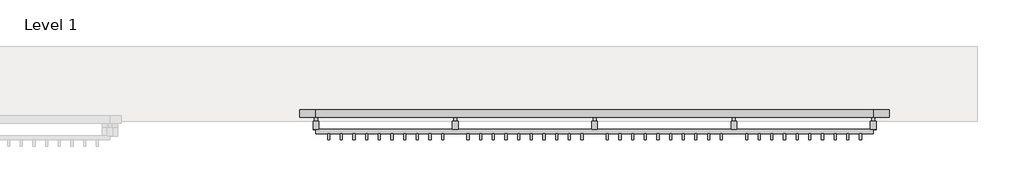
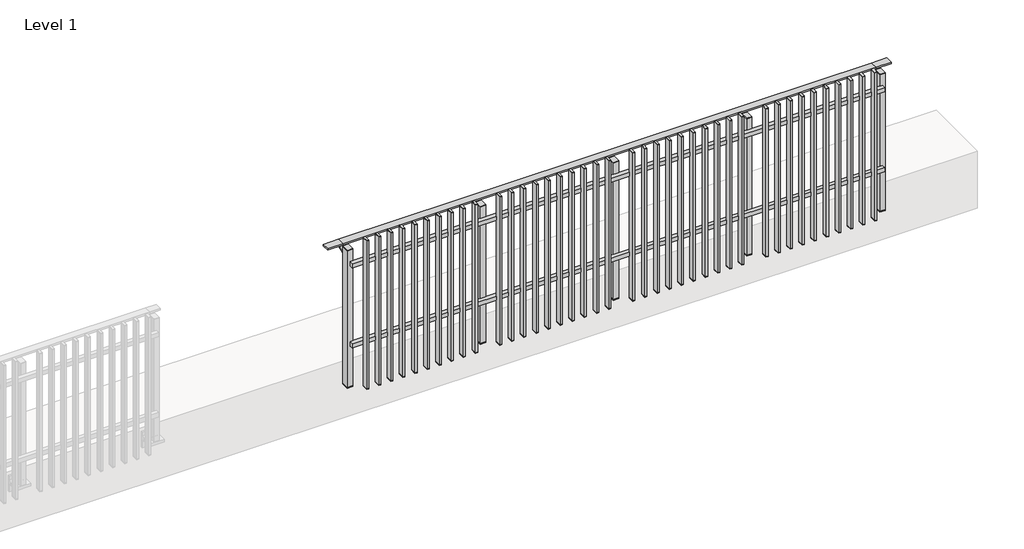
# One storey, part 3 of 17: 1 railing.
"""IFC4 building model written with IfcOpenShell, lengths in millimetres."""

from ifc_helpers import new_model, si_unit, point, frame, frame_2d, origin, place, context, project, spatial, polyline, circle_curve, trimmed, segment, composite_curve, outline, extrude, faceted_brep, element, save

model = new_model("IFC4")

# Units and contexts
model_context = context("Model", 3, world=origin())
ifc_project = project(units=[si_unit("LENGTHUNIT", "METRE", prefix="MILLI")], contexts=[model_context])

# Site, building, storey
site = spatial("IfcSite", under=ifc_project)
building = spatial("IfcBuilding", under=site)
storey = spatial("IfcBuildingStorey", under=building, Name="Level 1", Elevation=0.0)

# Railing
placement = place(None, origin())
element("IfcRailing", 1, at=placement, inside=storey, context=model_context, shape_type="SolidModel", body=[
    faceted_brep([(18027.0, -7.3153172, 985.0), (18027.0, -7.3153172, 1000.0), (22427.0, -7.3153172, 1000.0), (22427.0, -7.3153172, 985.0), (18027.0, -67.3153172, 985.0), (22427.0, -67.3153172, 985.0), (18027.0, -67.3153172, 1000.0), (22427.0, -67.3153172, 1000.0), (17899.5, -7.3153172, 1000.0), (17899.5, -7.3153172, 985.0), (17899.5, -67.3153172, 985.0), (17899.5, -67.3153172, 1000.0), (22554.5, -7.3153172, 1000.0), (22554.5, -67.3153172, 1000.0), (22554.5, -67.3153172, 985.0), (22554.5, -7.3153172, 985.0)], [[[0, 1, 2, 3]], [[4, 0, 3, 5]], [[6, 4, 5, 7]], [[1, 6, 7, 2]], [[8, 9, 10, 11]], [[9, 8, 1, 0]], [[10, 9, 0, 4]], [[11, 10, 4, 6]], [[8, 11, 6, 1]], [[12, 13, 14, 15]], [[3, 2, 12, 15]], [[5, 3, 15, 14]], [[7, 5, 14, 13]], [[2, 7, 13, 12]]]),
    extrude(outline(polyline([(18027.0, -196.8153172), (18027.0, -164.8153172), (22427.0, -164.8153172), (22427.0, -196.8153172), (18027.0, -196.8153172)])), frame((0.0, 0.0, 164.0), z_axis=(0.0, 0.0, 1.0), x_axis=(1.0, 0.0, 0.0)), (0.0, 0.0, 1.0), 36.0),
    extrude(outline(polyline([(18027.0, -196.8153172), (18027.0, -164.8153172), (22427.0, -164.8153172), (22427.0, -196.8153172), (18027.0, -196.8153172)])), frame((0.0, 0.0, 864.0), z_axis=(0.0, 0.0, 1.0), x_axis=(1.0, 0.0, 0.0)), (0.0, 0.0, 1.0), 36.0),
    extrude(outline(polyline([(22318.5, -245.8153172), (22318.5, -196.8153172), (22335.5, -196.8153172), (22335.5, -245.8153172), (22318.5, -245.8153172)])), frame((0.0, 0.0, -195.0), z_axis=(0.0, 0.0, 1.0), x_axis=(1.0, 0.0, 0.0)), (0.0, 0.0, 1.0), 1290.0),
    extrude(outline(polyline([(22335.5, -196.8153172), (22335.5, -245.8153172), (22318.5, -245.8153172), (22318.5, -196.8153172), (22335.5, -196.8153172)])), frame((0.0, 0.0, -200.0), z_axis=(0.0, 0.0, 1.0), x_axis=(1.0, 0.0, 0.0)), (0.0, 0.0, 1.0), 5.0),
    extrude(outline(polyline([(22335.5, -196.8153172), (22335.5, -245.8153172), (22318.5, -245.8153172), (22318.5, -196.8153172), (22335.5, -196.8153172)])), frame((0.0, 0.0, 1095.0), z_axis=(0.0, 0.0, 1.0), x_axis=(1.0, 0.0, 0.0)), (0.0, 0.0, 1.0), 5.0),
    extrude(outline(polyline([(22218.5, -245.8153172), (22218.5, -196.8153172), (22235.5, -196.8153172), (22235.5, -245.8153172), (22218.5, -245.8153172)])), frame((0.0, 0.0, -195.0), z_axis=(0.0, 0.0, 1.0), x_axis=(1.0, 0.0, 0.0)), (0.0, 0.0, 1.0), 1290.0),
    extrude(outline(polyline([(22235.5, -196.8153172), (22235.5, -245.8153172), (22218.5, -245.8153172), (22218.5, -196.8153172), (22235.5, -196.8153172)])), frame((0.0, 0.0, -200.0), z_axis=(0.0, 0.0, 1.0), x_axis=(1.0, 0.0, 0.0)), (0.0, 0.0, 1.0), 5.0),
    extrude(outline(polyline([(22235.5, -196.8153172), (22235.5, -245.8153172), (22218.5, -245.8153172), (22218.5, -196.8153172), (22235.5, -196.8153172)])), frame((0.0, 0.0, 1095.0), z_axis=(0.0, 0.0, 1.0), x_axis=(1.0, 0.0, 0.0)), (0.0, 0.0, 1.0), 5.0),
    extrude(outline(polyline([(22118.5, -245.8153172), (22118.5, -196.8153172), (22135.5, -196.8153172), (22135.5, -245.8153172), (22118.5, -245.8153172)])), frame((0.0, 0.0, -195.0), z_axis=(0.0, 0.0, 1.0), x_axis=(1.0, 0.0, 0.0)), (0.0, 0.0, 1.0), 1290.0),
    extrude(outline(polyline([(22135.5, -196.8153172), (22135.5, -245.8153172), (22118.5, -245.8153172), (22118.5, -196.8153172), (22135.5, -196.8153172)])), frame((0.0, 0.0, -200.0), z_axis=(0.0, 0.0, 1.0), x_axis=(1.0, 0.0, 0.0)), (0.0, 0.0, 1.0), 5.0),
    extrude(outline(polyline([(22135.5, -196.8153172), (22135.5, -245.8153172), (22118.5, -245.8153172), (22118.5, -196.8153172), (22135.5, -196.8153172)])), frame((0.0, 0.0, 1095.0), z_axis=(0.0, 0.0, 1.0), x_axis=(1.0, 0.0, 0.0)), (0.0, 0.0, 1.0), 5.0),
    extrude(outline(polyline([(22018.5, -245.8153172), (22018.5, -196.8153172), (22035.5, -196.8153172), (22035.5, -245.8153172), (22018.5, -245.8153172)])), frame((0.0, 0.0, -195.0), z_axis=(0.0, 0.0, 1.0), x_axis=(1.0, 0.0, 0.0)), (0.0, 0.0, 1.0), 1290.0),
    extrude(outline(polyline([(22035.5, -196.8153172), (22035.5, -245.8153172), (22018.5, -245.8153172), (22018.5, -196.8153172), (22035.5, -196.8153172)])), frame((0.0, 0.0, -200.0), z_axis=(0.0, 0.0, 1.0), x_axis=(1.0, 0.0, 0.0)), (0.0, 0.0, 1.0), 5.0),
    extrude(outline(polyline([(22035.5, -196.8153172), (22035.5, -245.8153172), (22018.5, -245.8153172), (22018.5, -196.8153172), (22035.5, -196.8153172)])), frame((0.0, 0.0, 1095.0), z_axis=(0.0, 0.0, 1.0), x_axis=(1.0, 0.0, 0.0)), (0.0, 0.0, 1.0), 5.0),
    extrude(outline(polyline([(21918.5, -245.8153172), (21918.5, -196.8153172), (21935.5, -196.8153172), (21935.5, -245.8153172), (21918.5, -245.8153172)])), frame((0.0, 0.0, -195.0), z_axis=(0.0, 0.0, 1.0), x_axis=(1.0, 0.0, 0.0)), (0.0, 0.0, 1.0), 1290.0),
    extrude(outline(polyline([(21935.5, -196.8153172), (21935.5, -245.8153172), (21918.5, -245.8153172), (21918.5, -196.8153172), (21935.5, -196.8153172)])), frame((0.0, 0.0, -200.0), z_axis=(0.0, 0.0, 1.0), x_axis=(1.0, 0.0, 0.0)), (0.0, 0.0, 1.0), 5.0),
    extrude(outline(polyline([(21935.5, -196.8153172), (21935.5, -245.8153172), (21918.5, -245.8153172), (21918.5, -196.8153172), (21935.5, -196.8153172)])), frame((0.0, 0.0, 1095.0), z_axis=(0.0, 0.0, 1.0), x_axis=(1.0, 0.0, 0.0)), (0.0, 0.0, 1.0), 5.0),
    extrude(outline(polyline([(21818.5, -245.8153172), (21818.5, -196.8153172), (21835.5, -196.8153172), (21835.5, -245.8153172), (21818.5, -245.8153172)])), frame((0.0, 0.0, -195.0), z_axis=(0.0, 0.0, 1.0), x_axis=(1.0, 0.0, 0.0)), (0.0, 0.0, 1.0), 1290.0),
    extrude(outline(polyline([(21835.5, -196.8153172), (21835.5, -245.8153172), (21818.5, -245.8153172), (21818.5, -196.8153172), (21835.5, -196.8153172)])), frame((0.0, 0.0, -200.0), z_axis=(0.0, 0.0, 1.0), x_axis=(1.0, 0.0, 0.0)), (0.0, 0.0, 1.0), 5.0),
    extrude(outline(polyline([(21835.5, -196.8153172), (21835.5, -245.8153172), (21818.5, -245.8153172), (21818.5, -196.8153172), (21835.5, -196.8153172)])), frame((0.0, 0.0, 1095.0), z_axis=(0.0, 0.0, 1.0), x_axis=(1.0, 0.0, 0.0)), (0.0, 0.0, 1.0), 5.0),
    extrude(outline(polyline([(21718.5, -245.8153172), (21718.5, -196.8153172), (21735.5, -196.8153172), (21735.5, -245.8153172), (21718.5, -245.8153172)])), frame((0.0, 0.0, -195.0), z_axis=(0.0, 0.0, 1.0), x_axis=(1.0, 0.0, 0.0)), (0.0, 0.0, 1.0), 1290.0),
    extrude(outline(polyline([(21735.5, -196.8153172), (21735.5, -245.8153172), (21718.5, -245.8153172), (21718.5, -196.8153172), (21735.5, -196.8153172)])), frame((0.0, 0.0, -200.0), z_axis=(0.0, 0.0, 1.0), x_axis=(1.0, 0.0, 0.0)), (0.0, 0.0, 1.0), 5.0),
    extrude(outline(polyline([(21735.5, -196.8153172), (21735.5, -245.8153172), (21718.5, -245.8153172), (21718.5, -196.8153172), (21735.5, -196.8153172)])), frame((0.0, 0.0, 1095.0), z_axis=(0.0, 0.0, 1.0), x_axis=(1.0, 0.0, 0.0)), (0.0, 0.0, 1.0), 5.0),
    extrude(outline(polyline([(21618.5, -245.8153172), (21618.5, -196.8153172), (21635.5, -196.8153172), (21635.5, -245.8153172), (21618.5, -245.8153172)])), frame((0.0, 0.0, -195.0), z_axis=(0.0, 0.0, 1.0), x_axis=(1.0, 0.0, 0.0)), (0.0, 0.0, 1.0), 1290.0),
    extrude(outline(polyline([(21635.5, -196.8153172), (21635.5, -245.8153172), (21618.5, -245.8153172), (21618.5, -196.8153172), (21635.5, -196.8153172)])), frame((0.0, 0.0, -200.0), z_axis=(0.0, 0.0, 1.0), x_axis=(1.0, 0.0, 0.0)), (0.0, 0.0, 1.0), 5.0),
    extrude(outline(polyline([(21635.5, -196.8153172), (21635.5, -245.8153172), (21618.5, -245.8153172), (21618.5, -196.8153172), (21635.5, -196.8153172)])), frame((0.0, 0.0, 1095.0), z_axis=(0.0, 0.0, 1.0), x_axis=(1.0, 0.0, 0.0)), (0.0, 0.0, 1.0), 5.0),
    extrude(outline(polyline([(21518.5, -245.8153172), (21518.5, -196.8153172), (21535.5, -196.8153172), (21535.5, -245.8153172), (21518.5, -245.8153172)])), frame((0.0, 0.0, -195.0), z_axis=(0.0, 0.0, 1.0), x_axis=(1.0, 0.0, 0.0)), (0.0, 0.0, 1.0), 1290.0),
    extrude(outline(polyline([(21535.5, -196.8153172), (21535.5, -245.8153172), (21518.5, -245.8153172), (21518.5, -196.8153172), (21535.5, -196.8153172)])), frame((0.0, 0.0, -200.0), z_axis=(0.0, 0.0, 1.0), x_axis=(1.0, 0.0, 0.0)), (0.0, 0.0, 1.0), 5.0),
    extrude(outline(polyline([(21535.5, -196.8153172), (21535.5, -245.8153172), (21518.5, -245.8153172), (21518.5, -196.8153172), (21535.5, -196.8153172)])), frame((0.0, 0.0, 1095.0), z_axis=(0.0, 0.0, 1.0), x_axis=(1.0, 0.0, 0.0)), (0.0, 0.0, 1.0), 5.0),
    extrude(outline(polyline([(21418.5, -245.8153172), (21418.5, -196.8153172), (21435.5, -196.8153172), (21435.5, -245.8153172), (21418.5, -245.8153172)])), frame((0.0, 0.0, -195.0), z_axis=(0.0, 0.0, 1.0), x_axis=(1.0, 0.0, 0.0)), (0.0, 0.0, 1.0), 1290.0),
    extrude(outline(polyline([(21435.5, -196.8153172), (21435.5, -245.8153172), (21418.5, -245.8153172), (21418.5, -196.8153172), (21435.5, -196.8153172)])), frame((0.0, 0.0, -200.0), z_axis=(0.0, 0.0, 1.0), x_axis=(1.0, 0.0, 0.0)), (0.0, 0.0, 1.0), 5.0),
    extrude(outline(polyline([(21435.5, -196.8153172), (21435.5, -245.8153172), (21418.5, -245.8153172), (21418.5, -196.8153172), (21435.5, -196.8153172)])), frame((0.0, 0.0, 1095.0), z_axis=(0.0, 0.0, 1.0), x_axis=(1.0, 0.0, 0.0)), (0.0, 0.0, 1.0), 5.0),
    extrude(outline(composite_curve([segment(polyline([(-11.8153172, 985.0), (-11.8153172, 960.900037)]), True, "CONTINUOUS"), segment(trimmed(circle_curve(frame_2d((-21.8153172, 960.900037)), 10.0), [point((-11.8153172, 960.900037))], [point((-19.2271267, 951.2407787))], False, "CARTESIAN"), True, "CONTINUOUS"), segment(polyline([(-19.2271267, 951.2407787), (-76.2755267, 935.9547061)]), True, "CONTINUOUS"), segment(trimmed(circle_curve(frame_2d((-73.6873362, 926.2954478)), 10.0), [point((-76.2755267, 935.9547061))], [point((-83.6017848, 927.6007097))], True, "CARTESIAN"), True, "CONTINUOUS"), segment(polyline([(-83.6017848, 927.6007097), (-88.208607, 892.6084214)]), True, "CONTINUOUS"), segment(trimmed(circle_curve(frame_2d((-91.1829416, 893.0)), 3.0), [point((-88.208607, 892.6084214))], [point((-91.1829416, 890.0))], False, "CARTESIAN"), True, "CONTINUOUS"), segment(polyline([(-91.1829416, 890.0), (-99.8153172, 890.0), (-99.8153172, 940.0), (-35.8153172, 957.1487483), (-35.8153172, 985.0), (-11.8153172, 985.0)]), True, "CONTINUOUS")], self_intersect=False)), frame((21314.5, 0.0, 0.0), z_axis=(1.0, 0.0, 0.0), x_axis=(0.0, 1.0, 0.0)), (0.0, 0.0, 1.0), 25.0),
    extrude(outline(polyline([(21349.5, -99.8153172), (21349.5, -164.8153172), (21304.5, -164.8153172), (21304.5, -99.8153172), (21349.5, -99.8153172)])), frame((0.0, 0.0, 1000.0), z_axis=(0.0, 0.0, 1.0), x_axis=(1.0, 0.0, 0.0)), (0.0, 0.0, 1.0), 5.0),
    extrude(outline(polyline([(21349.5, -99.8153172), (21349.5, -164.8153172), (21304.5, -164.8153172), (21304.5, -99.8153172), (21349.5, -99.8153172)])), frame((0.0, 0.0, -192.0), z_axis=(0.0, 0.0, 1.0), x_axis=(1.0, 0.0, 0.0)), (0.0, 0.0, 1.0), 1192.0),
    extrude(outline(polyline([(21349.5, -99.8153172), (21349.5, -164.8153172), (21304.5, -164.8153172), (21304.5, -99.8153172), (21349.5, -99.8153172)])), frame((0.0, 0.0, -200.0), z_axis=(0.0, 0.0, 1.0), x_axis=(1.0, 0.0, 0.0)), (0.0, 0.0, 1.0), 8.0),
    extrude(outline(polyline([(21218.5, -245.8153172), (21218.5, -196.8153172), (21235.5, -196.8153172), (21235.5, -245.8153172), (21218.5, -245.8153172)])), frame((0.0, 0.0, -195.0), z_axis=(0.0, 0.0, 1.0), x_axis=(1.0, 0.0, 0.0)), (0.0, 0.0, 1.0), 1290.0),
    extrude(outline(polyline([(21235.5, -196.8153172), (21235.5, -245.8153172), (21218.5, -245.8153172), (21218.5, -196.8153172), (21235.5, -196.8153172)])), frame((0.0, 0.0, -200.0), z_axis=(0.0, 0.0, 1.0), x_axis=(1.0, 0.0, 0.0)), (0.0, 0.0, 1.0), 5.0),
    extrude(outline(polyline([(21235.5, -196.8153172), (21235.5, -245.8153172), (21218.5, -245.8153172), (21218.5, -196.8153172), (21235.5, -196.8153172)])), frame((0.0, 0.0, 1095.0), z_axis=(0.0, 0.0, 1.0), x_axis=(1.0, 0.0, 0.0)), (0.0, 0.0, 1.0), 5.0),
    extrude(outline(polyline([(21118.5, -245.8153172), (21118.5, -196.8153172), (21135.5, -196.8153172), (21135.5, -245.8153172), (21118.5, -245.8153172)])), frame((0.0, 0.0, -195.0), z_axis=(0.0, 0.0, 1.0), x_axis=(1.0, 0.0, 0.0)), (0.0, 0.0, 1.0), 1290.0),
    extrude(outline(polyline([(21135.5, -196.8153172), (21135.5, -245.8153172), (21118.5, -245.8153172), (21118.5, -196.8153172), (21135.5, -196.8153172)])), frame((0.0, 0.0, -200.0), z_axis=(0.0, 0.0, 1.0), x_axis=(1.0, 0.0, 0.0)), (0.0, 0.0, 1.0), 5.0),
    extrude(outline(polyline([(21135.5, -196.8153172), (21135.5, -245.8153172), (21118.5, -245.8153172), (21118.5, -196.8153172), (21135.5, -196.8153172)])), frame((0.0, 0.0, 1095.0), z_axis=(0.0, 0.0, 1.0), x_axis=(1.0, 0.0, 0.0)), (0.0, 0.0, 1.0), 5.0),
    extrude(outline(polyline([(21018.5, -245.8153172), (21018.5, -196.8153172), (21035.5, -196.8153172), (21035.5, -245.8153172), (21018.5, -245.8153172)])), frame((0.0, 0.0, -195.0), z_axis=(0.0, 0.0, 1.0), x_axis=(1.0, 0.0, 0.0)), (0.0, 0.0, 1.0), 1290.0),
    extrude(outline(polyline([(21035.5, -196.8153172), (21035.5, -245.8153172), (21018.5, -245.8153172), (21018.5, -196.8153172), (21035.5, -196.8153172)])), frame((0.0, 0.0, -200.0), z_axis=(0.0, 0.0, 1.0), x_axis=(1.0, 0.0, 0.0)), (0.0, 0.0, 1.0), 5.0),
    extrude(outline(polyline([(21035.5, -196.8153172), (21035.5, -245.8153172), (21018.5, -245.8153172), (21018.5, -196.8153172), (21035.5, -196.8153172)])), frame((0.0, 0.0, 1095.0), z_axis=(0.0, 0.0, 1.0), x_axis=(1.0, 0.0, 0.0)), (0.0, 0.0, 1.0), 5.0),
    extrude(outline(polyline([(20918.5, -245.8153172), (20918.5, -196.8153172), (20935.5, -196.8153172), (20935.5, -245.8153172), (20918.5, -245.8153172)])), frame((0.0, 0.0, -195.0), z_axis=(0.0, 0.0, 1.0), x_axis=(1.0, 0.0, 0.0)), (0.0, 0.0, 1.0), 1290.0),
    extrude(outline(polyline([(20935.5, -196.8153172), (20935.5, -245.8153172), (20918.5, -245.8153172), (20918.5, -196.8153172), (20935.5, -196.8153172)])), frame((0.0, 0.0, -200.0), z_axis=(0.0, 0.0, 1.0), x_axis=(1.0, 0.0, 0.0)), (0.0, 0.0, 1.0), 5.0),
    extrude(outline(polyline([(20935.5, -196.8153172), (20935.5, -245.8153172), (20918.5, -245.8153172), (20918.5, -196.8153172), (20935.5, -196.8153172)])), frame((0.0, 0.0, 1095.0), z_axis=(0.0, 0.0, 1.0), x_axis=(1.0, 0.0, 0.0)), (0.0, 0.0, 1.0), 5.0),
    extrude(outline(polyline([(20818.5, -245.8153172), (20818.5, -196.8153172), (20835.5, -196.8153172), (20835.5, -245.8153172), (20818.5, -245.8153172)])), frame((0.0, 0.0, -195.0), z_axis=(0.0, 0.0, 1.0), x_axis=(1.0, 0.0, 0.0)), (0.0, 0.0, 1.0), 1290.0),
    extrude(outline(polyline([(20835.5, -196.8153172), (20835.5, -245.8153172), (20818.5, -245.8153172), (20818.5, -196.8153172), (20835.5, -196.8153172)])), frame((0.0, 0.0, -200.0), z_axis=(0.0, 0.0, 1.0), x_axis=(1.0, 0.0, 0.0)), (0.0, 0.0, 1.0), 5.0),
    extrude(outline(polyline([(20835.5, -196.8153172), (20835.5, -245.8153172), (20818.5, -245.8153172), (20818.5, -196.8153172), (20835.5, -196.8153172)])), frame((0.0, 0.0, 1095.0), z_axis=(0.0, 0.0, 1.0), x_axis=(1.0, 0.0, 0.0)), (0.0, 0.0, 1.0), 5.0),
    extrude(outline(polyline([(20718.5, -245.8153172), (20718.5, -196.8153172), (20735.5, -196.8153172), (20735.5, -245.8153172), (20718.5, -245.8153172)])), frame((0.0, 0.0, -195.0), z_axis=(0.0, 0.0, 1.0), x_axis=(1.0, 0.0, 0.0)), (0.0, 0.0, 1.0), 1290.0),
    extrude(outline(polyline([(20735.5, -196.8153172), (20735.5, -245.8153172), (20718.5, -245.8153172), (20718.5, -196.8153172), (20735.5, -196.8153172)])), frame((0.0, 0.0, -200.0), z_axis=(0.0, 0.0, 1.0), x_axis=(1.0, 0.0, 0.0)), (0.0, 0.0, 1.0), 5.0),
    extrude(outline(polyline([(20735.5, -196.8153172), (20735.5, -245.8153172), (20718.5, -245.8153172), (20718.5, -196.8153172), (20735.5, -196.8153172)])), frame((0.0, 0.0, 1095.0), z_axis=(0.0, 0.0, 1.0), x_axis=(1.0, 0.0, 0.0)), (0.0, 0.0, 1.0), 5.0),
    extrude(outline(polyline([(20618.5, -245.8153172), (20618.5, -196.8153172), (20635.5, -196.8153172), (20635.5, -245.8153172), (20618.5, -245.8153172)])), frame((0.0, 0.0, -195.0), z_axis=(0.0, 0.0, 1.0), x_axis=(1.0, 0.0, 0.0)), (0.0, 0.0, 1.0), 1290.0),
    extrude(outline(polyline([(20635.5, -196.8153172), (20635.5, -245.8153172), (20618.5, -245.8153172), (20618.5, -196.8153172), (20635.5, -196.8153172)])), frame((0.0, 0.0, -200.0), z_axis=(0.0, 0.0, 1.0), x_axis=(1.0, 0.0, 0.0)), (0.0, 0.0, 1.0), 5.0),
    extrude(outline(polyline([(20635.5, -196.8153172), (20635.5, -245.8153172), (20618.5, -245.8153172), (20618.5, -196.8153172), (20635.5, -196.8153172)])), frame((0.0, 0.0, 1095.0), z_axis=(0.0, 0.0, 1.0), x_axis=(1.0, 0.0, 0.0)), (0.0, 0.0, 1.0), 5.0),
    extrude(outline(polyline([(20518.5, -245.8153172), (20518.5, -196.8153172), (20535.5, -196.8153172), (20535.5, -245.8153172), (20518.5, -245.8153172)])), frame((0.0, 0.0, -195.0), z_axis=(0.0, 0.0, 1.0), x_axis=(1.0, 0.0, 0.0)), (0.0, 0.0, 1.0), 1290.0),
    extrude(outline(polyline([(20535.5, -196.8153172), (20535.5, -245.8153172), (20518.5, -245.8153172), (20518.5, -196.8153172), (20535.5, -196.8153172)])), frame((0.0, 0.0, -200.0), z_axis=(0.0, 0.0, 1.0), x_axis=(1.0, 0.0, 0.0)), (0.0, 0.0, 1.0), 5.0),
    extrude(outline(polyline([(20535.5, -196.8153172), (20535.5, -245.8153172), (20518.5, -245.8153172), (20518.5, -196.8153172), (20535.5, -196.8153172)])), frame((0.0, 0.0, 1095.0), z_axis=(0.0, 0.0, 1.0), x_axis=(1.0, 0.0, 0.0)), (0.0, 0.0, 1.0), 5.0),
    extrude(outline(polyline([(20418.5, -245.8153172), (20418.5, -196.8153172), (20435.5, -196.8153172), (20435.5, -245.8153172), (20418.5, -245.8153172)])), frame((0.0, 0.0, -195.0), z_axis=(0.0, 0.0, 1.0), x_axis=(1.0, 0.0, 0.0)), (0.0, 0.0, 1.0), 1290.0),
    extrude(outline(polyline([(20435.5, -196.8153172), (20435.5, -245.8153172), (20418.5, -245.8153172), (20418.5, -196.8153172), (20435.5, -196.8153172)])), frame((0.0, 0.0, -200.0), z_axis=(0.0, 0.0, 1.0), x_axis=(1.0, 0.0, 0.0)), (0.0, 0.0, 1.0), 5.0),
    extrude(outline(polyline([(20435.5, -196.8153172), (20435.5, -245.8153172), (20418.5, -245.8153172), (20418.5, -196.8153172), (20435.5, -196.8153172)])), frame((0.0, 0.0, 1095.0), z_axis=(0.0, 0.0, 1.0), x_axis=(1.0, 0.0, 0.0)), (0.0, 0.0, 1.0), 5.0),
    extrude(outline(polyline([(20318.5, -245.8153172), (20318.5, -196.8153172), (20335.5, -196.8153172), (20335.5, -245.8153172), (20318.5, -245.8153172)])), frame((0.0, 0.0, -195.0), z_axis=(0.0, 0.0, 1.0), x_axis=(1.0, 0.0, 0.0)), (0.0, 0.0, 1.0), 1290.0),
    extrude(outline(polyline([(20335.5, -196.8153172), (20335.5, -245.8153172), (20318.5, -245.8153172), (20318.5, -196.8153172), (20335.5, -196.8153172)])), frame((0.0, 0.0, -200.0), z_axis=(0.0, 0.0, 1.0), x_axis=(1.0, 0.0, 0.0)), (0.0, 0.0, 1.0), 5.0),
    extrude(outline(polyline([(20335.5, -196.8153172), (20335.5, -245.8153172), (20318.5, -245.8153172), (20318.5, -196.8153172), (20335.5, -196.8153172)])), frame((0.0, 0.0, 1095.0), z_axis=(0.0, 0.0, 1.0), x_axis=(1.0, 0.0, 0.0)), (0.0, 0.0, 1.0), 5.0),
    extrude(outline(composite_curve([segment(polyline([(-11.8153172, 985.0), (-11.8153172, 960.900037)]), True, "CONTINUOUS"), segment(trimmed(circle_curve(frame_2d((-21.8153172, 960.900037)), 10.0), [point((-11.8153172, 960.900037))], [point((-19.2271267, 951.2407787))], False, "CARTESIAN"), True, "CONTINUOUS"), segment(polyline([(-19.2271267, 951.2407787), (-76.2755267, 935.9547061)]), True, "CONTINUOUS"), segment(trimmed(circle_curve(frame_2d((-73.6873362, 926.2954478)), 10.0), [point((-76.2755267, 935.9547061))], [point((-83.6017848, 927.6007097))], True, "CARTESIAN"), True, "CONTINUOUS"), segment(polyline([(-83.6017848, 927.6007097), (-88.208607, 892.6084214)]), True, "CONTINUOUS"), segment(trimmed(circle_curve(frame_2d((-91.1829416, 893.0)), 3.0), [point((-88.208607, 892.6084214))], [point((-91.1829416, 890.0))], False, "CARTESIAN"), True, "CONTINUOUS"), segment(polyline([(-91.1829416, 890.0), (-99.8153172, 890.0), (-99.8153172, 940.0), (-35.8153172, 957.1487483), (-35.8153172, 985.0), (-11.8153172, 985.0)]), True, "CONTINUOUS")], self_intersect=False)), frame((20214.5, 0.0, 0.0), z_axis=(1.0, 0.0, 0.0), x_axis=(0.0, 1.0, 0.0)), (0.0, 0.0, 1.0), 25.0),
    extrude(outline(polyline([(20249.5, -99.8153172), (20249.5, -164.8153172), (20204.5, -164.8153172), (20204.5, -99.8153172), (20249.5, -99.8153172)])), frame((0.0, 0.0, 1000.0), z_axis=(0.0, 0.0, 1.0), x_axis=(1.0, 0.0, 0.0)), (0.0, 0.0, 1.0), 5.0),
    extrude(outline(polyline([(20249.5, -99.8153172), (20249.5, -164.8153172), (20204.5, -164.8153172), (20204.5, -99.8153172), (20249.5, -99.8153172)])), frame((0.0, 0.0, -192.0), z_axis=(0.0, 0.0, 1.0), x_axis=(1.0, 0.0, 0.0)), (0.0, 0.0, 1.0), 1192.0),
    extrude(outline(polyline([(20249.5, -99.8153172), (20249.5, -164.8153172), (20204.5, -164.8153172), (20204.5, -99.8153172), (20249.5, -99.8153172)])), frame((0.0, 0.0, -200.0), z_axis=(0.0, 0.0, 1.0), x_axis=(1.0, 0.0, 0.0)), (0.0, 0.0, 1.0), 8.0),
    extrude(outline(polyline([(20118.5, -245.8153172), (20118.5, -196.8153172), (20135.5, -196.8153172), (20135.5, -245.8153172), (20118.5, -245.8153172)])), frame((0.0, 0.0, -195.0), z_axis=(0.0, 0.0, 1.0), x_axis=(1.0, 0.0, 0.0)), (0.0, 0.0, 1.0), 1290.0),
    extrude(outline(polyline([(20135.5, -196.8153172), (20135.5, -245.8153172), (20118.5, -245.8153172), (20118.5, -196.8153172), (20135.5, -196.8153172)])), frame((0.0, 0.0, -200.0), z_axis=(0.0, 0.0, 1.0), x_axis=(1.0, 0.0, 0.0)), (0.0, 0.0, 1.0), 5.0),
    extrude(outline(polyline([(20135.5, -196.8153172), (20135.5, -245.8153172), (20118.5, -245.8153172), (20118.5, -196.8153172), (20135.5, -196.8153172)])), frame((0.0, 0.0, 1095.0), z_axis=(0.0, 0.0, 1.0), x_axis=(1.0, 0.0, 0.0)), (0.0, 0.0, 1.0), 5.0),
    extrude(outline(polyline([(20018.5, -245.8153172), (20018.5, -196.8153172), (20035.5, -196.8153172), (20035.5, -245.8153172), (20018.5, -245.8153172)])), frame((0.0, 0.0, -195.0), z_axis=(0.0, 0.0, 1.0), x_axis=(1.0, 0.0, 0.0)), (0.0, 0.0, 1.0), 1290.0),
    extrude(outline(polyline([(20035.5, -196.8153172), (20035.5, -245.8153172), (20018.5, -245.8153172), (20018.5, -196.8153172), (20035.5, -196.8153172)])), frame((0.0, 0.0, -200.0), z_axis=(0.0, 0.0, 1.0), x_axis=(1.0, 0.0, 0.0)), (0.0, 0.0, 1.0), 5.0),
    extrude(outline(polyline([(20035.5, -196.8153172), (20035.5, -245.8153172), (20018.5, -245.8153172), (20018.5, -196.8153172), (20035.5, -196.8153172)])), frame((0.0, 0.0, 1095.0), z_axis=(0.0, 0.0, 1.0), x_axis=(1.0, 0.0, 0.0)), (0.0, 0.0, 1.0), 5.0),
    extrude(outline(polyline([(19918.5, -245.8153172), (19918.5, -196.8153172), (19935.5, -196.8153172), (19935.5, -245.8153172), (19918.5, -245.8153172)])), frame((0.0, 0.0, -195.0), z_axis=(0.0, 0.0, 1.0), x_axis=(1.0, 0.0, 0.0)), (0.0, 0.0, 1.0), 1290.0),
    extrude(outline(polyline([(19935.5, -196.8153172), (19935.5, -245.8153172), (19918.5, -245.8153172), (19918.5, -196.8153172), (19935.5, -196.8153172)])), frame((0.0, 0.0, -200.0), z_axis=(0.0, 0.0, 1.0), x_axis=(1.0, 0.0, 0.0)), (0.0, 0.0, 1.0), 5.0),
    extrude(outline(polyline([(19935.5, -196.8153172), (19935.5, -245.8153172), (19918.5, -245.8153172), (19918.5, -196.8153172), (19935.5, -196.8153172)])), frame((0.0, 0.0, 1095.0), z_axis=(0.0, 0.0, 1.0), x_axis=(1.0, 0.0, 0.0)), (0.0, 0.0, 1.0), 5.0),
    extrude(outline(polyline([(19818.5, -245.8153172), (19818.5, -196.8153172), (19835.5, -196.8153172), (19835.5, -245.8153172), (19818.5, -245.8153172)])), frame((0.0, 0.0, -195.0), z_axis=(0.0, 0.0, 1.0), x_axis=(1.0, 0.0, 0.0)), (0.0, 0.0, 1.0), 1290.0),
    extrude(outline(polyline([(19835.5, -196.8153172), (19835.5, -245.8153172), (19818.5, -245.8153172), (19818.5, -196.8153172), (19835.5, -196.8153172)])), frame((0.0, 0.0, -200.0), z_axis=(0.0, 0.0, 1.0), x_axis=(1.0, 0.0, 0.0)), (0.0, 0.0, 1.0), 5.0),
    extrude(outline(polyline([(19835.5, -196.8153172), (19835.5, -245.8153172), (19818.5, -245.8153172), (19818.5, -196.8153172), (19835.5, -196.8153172)])), frame((0.0, 0.0, 1095.0), z_axis=(0.0, 0.0, 1.0), x_axis=(1.0, 0.0, 0.0)), (0.0, 0.0, 1.0), 5.0),
    extrude(outline(polyline([(19718.5, -245.8153172), (19718.5, -196.8153172), (19735.5, -196.8153172), (19735.5, -245.8153172), (19718.5, -245.8153172)])), frame((0.0, 0.0, -195.0), z_axis=(0.0, 0.0, 1.0), x_axis=(1.0, 0.0, 0.0)), (0.0, 0.0, 1.0), 1290.0),
    extrude(outline(polyline([(19735.5, -196.8153172), (19735.5, -245.8153172), (19718.5, -245.8153172), (19718.5, -196.8153172), (19735.5, -196.8153172)])), frame((0.0, 0.0, -200.0), z_axis=(0.0, 0.0, 1.0), x_axis=(1.0, 0.0, 0.0)), (0.0, 0.0, 1.0), 5.0),
    extrude(outline(polyline([(19735.5, -196.8153172), (19735.5, -245.8153172), (19718.5, -245.8153172), (19718.5, -196.8153172), (19735.5, -196.8153172)])), frame((0.0, 0.0, 1095.0), z_axis=(0.0, 0.0, 1.0), x_axis=(1.0, 0.0, 0.0)), (0.0, 0.0, 1.0), 5.0),
    extrude(outline(polyline([(19618.5, -245.8153172), (19618.5, -196.8153172), (19635.5, -196.8153172), (19635.5, -245.8153172), (19618.5, -245.8153172)])), frame((0.0, 0.0, -195.0), z_axis=(0.0, 0.0, 1.0), x_axis=(1.0, 0.0, 0.0)), (0.0, 0.0, 1.0), 1290.0),
    extrude(outline(polyline([(19635.5, -196.8153172), (19635.5, -245.8153172), (19618.5, -245.8153172), (19618.5, -196.8153172), (19635.5, -196.8153172)])), frame((0.0, 0.0, -200.0), z_axis=(0.0, 0.0, 1.0), x_axis=(1.0, 0.0, 0.0)), (0.0, 0.0, 1.0), 5.0),
    extrude(outline(polyline([(19635.5, -196.8153172), (19635.5, -245.8153172), (19618.5, -245.8153172), (19618.5, -196.8153172), (19635.5, -196.8153172)])), frame((0.0, 0.0, 1095.0), z_axis=(0.0, 0.0, 1.0), x_axis=(1.0, 0.0, 0.0)), (0.0, 0.0, 1.0), 5.0),
    extrude(outline(polyline([(19518.5, -245.8153172), (19518.5, -196.8153172), (19535.5, -196.8153172), (19535.5, -245.8153172), (19518.5, -245.8153172)])), frame((0.0, 0.0, -195.0), z_axis=(0.0, 0.0, 1.0), x_axis=(1.0, 0.0, 0.0)), (0.0, 0.0, 1.0), 1290.0),
    extrude(outline(polyline([(19535.5, -196.8153172), (19535.5, -245.8153172), (19518.5, -245.8153172), (19518.5, -196.8153172), (19535.5, -196.8153172)])), frame((0.0, 0.0, -200.0), z_axis=(0.0, 0.0, 1.0), x_axis=(1.0, 0.0, 0.0)), (0.0, 0.0, 1.0), 5.0),
    extrude(outline(polyline([(19535.5, -196.8153172), (19535.5, -245.8153172), (19518.5, -245.8153172), (19518.5, -196.8153172), (19535.5, -196.8153172)])), frame((0.0, 0.0, 1095.0), z_axis=(0.0, 0.0, 1.0), x_axis=(1.0, 0.0, 0.0)), (0.0, 0.0, 1.0), 5.0),
    extrude(outline(polyline([(19418.5, -245.8153172), (19418.5, -196.8153172), (19435.5, -196.8153172), (19435.5, -245.8153172), (19418.5, -245.8153172)])), frame((0.0, 0.0, -195.0), z_axis=(0.0, 0.0, 1.0), x_axis=(1.0, 0.0, 0.0)), (0.0, 0.0, 1.0), 1290.0),
    extrude(outline(polyline([(19435.5, -196.8153172), (19435.5, -245.8153172), (19418.5, -245.8153172), (19418.5, -196.8153172), (19435.5, -196.8153172)])), frame((0.0, 0.0, -200.0), z_axis=(0.0, 0.0, 1.0), x_axis=(1.0, 0.0, 0.0)), (0.0, 0.0, 1.0), 5.0),
    extrude(outline(polyline([(19435.5, -196.8153172), (19435.5, -245.8153172), (19418.5, -245.8153172), (19418.5, -196.8153172), (19435.5, -196.8153172)])), frame((0.0, 0.0, 1095.0), z_axis=(0.0, 0.0, 1.0), x_axis=(1.0, 0.0, 0.0)), (0.0, 0.0, 1.0), 5.0),
    extrude(outline(polyline([(19318.5, -245.8153172), (19318.5, -196.8153172), (19335.5, -196.8153172), (19335.5, -245.8153172), (19318.5, -245.8153172)])), frame((0.0, 0.0, -195.0), z_axis=(0.0, 0.0, 1.0), x_axis=(1.0, 0.0, 0.0)), (0.0, 0.0, 1.0), 1290.0),
    extrude(outline(polyline([(19335.5, -196.8153172), (19335.5, -245.8153172), (19318.5, -245.8153172), (19318.5, -196.8153172), (19335.5, -196.8153172)])), frame((0.0, 0.0, -200.0), z_axis=(0.0, 0.0, 1.0), x_axis=(1.0, 0.0, 0.0)), (0.0, 0.0, 1.0), 5.0),
    extrude(outline(polyline([(19335.5, -196.8153172), (19335.5, -245.8153172), (19318.5, -245.8153172), (19318.5, -196.8153172), (19335.5, -196.8153172)])), frame((0.0, 0.0, 1095.0), z_axis=(0.0, 0.0, 1.0), x_axis=(1.0, 0.0, 0.0)), (0.0, 0.0, 1.0), 5.0),
    extrude(outline(polyline([(19218.5, -245.8153172), (19218.5, -196.8153172), (19235.5, -196.8153172), (19235.5, -245.8153172), (19218.5, -245.8153172)])), frame((0.0, 0.0, -195.0), z_axis=(0.0, 0.0, 1.0), x_axis=(1.0, 0.0, 0.0)), (0.0, 0.0, 1.0), 1290.0),
    extrude(outline(polyline([(19235.5, -196.8153172), (19235.5, -245.8153172), (19218.5, -245.8153172), (19218.5, -196.8153172), (19235.5, -196.8153172)])), frame((0.0, 0.0, -200.0), z_axis=(0.0, 0.0, 1.0), x_axis=(1.0, 0.0, 0.0)), (0.0, 0.0, 1.0), 5.0),
    extrude(outline(polyline([(19235.5, -196.8153172), (19235.5, -245.8153172), (19218.5, -245.8153172), (19218.5, -196.8153172), (19235.5, -196.8153172)])), frame((0.0, 0.0, 1095.0), z_axis=(0.0, 0.0, 1.0), x_axis=(1.0, 0.0, 0.0)), (0.0, 0.0, 1.0), 5.0),
    extrude(outline(composite_curve([segment(polyline([(-11.8153172, 985.0), (-11.8153172, 960.900037)]), True, "CONTINUOUS"), segment(trimmed(circle_curve(frame_2d((-21.8153172, 960.900037)), 10.0), [point((-11.8153172, 960.900037))], [point((-19.2271267, 951.2407787))], False, "CARTESIAN"), True, "CONTINUOUS"), segment(polyline([(-19.2271267, 951.2407787), (-76.2755267, 935.9547061)]), True, "CONTINUOUS"), segment(trimmed(circle_curve(frame_2d((-73.6873362, 926.2954478)), 10.0), [point((-76.2755267, 935.9547061))], [point((-83.6017848, 927.6007097))], True, "CARTESIAN"), True, "CONTINUOUS"), segment(polyline([(-83.6017848, 927.6007097), (-88.208607, 892.6084214)]), True, "CONTINUOUS"), segment(trimmed(circle_curve(frame_2d((-91.1829416, 893.0)), 3.0), [point((-88.208607, 892.6084214))], [point((-91.1829416, 890.0))], False, "CARTESIAN"), True, "CONTINUOUS"), segment(polyline([(-91.1829416, 890.0), (-99.8153172, 890.0), (-99.8153172, 940.0), (-35.8153172, 957.1487483), (-35.8153172, 985.0), (-11.8153172, 985.0)]), True, "CONTINUOUS")], self_intersect=False)), frame((19114.5, 0.0, 0.0), z_axis=(1.0, 0.0, 0.0), x_axis=(0.0, 1.0, 0.0)), (0.0, 0.0, 1.0), 25.0),
    extrude(outline(polyline([(19149.5, -99.8153172), (19149.5, -164.8153172), (19104.5, -164.8153172), (19104.5, -99.8153172), (19149.5, -99.8153172)])), frame((0.0, 0.0, 1000.0), z_axis=(0.0, 0.0, 1.0), x_axis=(1.0, 0.0, 0.0)), (0.0, 0.0, 1.0), 5.0),
    extrude(outline(polyline([(19149.5, -99.8153172), (19149.5, -164.8153172), (19104.5, -164.8153172), (19104.5, -99.8153172), (19149.5, -99.8153172)])), frame((0.0, 0.0, -192.0), z_axis=(0.0, 0.0, 1.0), x_axis=(1.0, 0.0, 0.0)), (0.0, 0.0, 1.0), 1192.0),
    extrude(outline(polyline([(19149.5, -99.8153172), (19149.5, -164.8153172), (19104.5, -164.8153172), (19104.5, -99.8153172), (19149.5, -99.8153172)])), frame((0.0, 0.0, -200.0), z_axis=(0.0, 0.0, 1.0), x_axis=(1.0, 0.0, 0.0)), (0.0, 0.0, 1.0), 8.0),
    extrude(outline(polyline([(19018.5, -245.8153172), (19018.5, -196.8153172), (19035.5, -196.8153172), (19035.5, -245.8153172), (19018.5, -245.8153172)])), frame((0.0, 0.0, -195.0), z_axis=(0.0, 0.0, 1.0), x_axis=(1.0, 0.0, 0.0)), (0.0, 0.0, 1.0), 1290.0),
    extrude(outline(polyline([(19035.5, -196.8153172), (19035.5, -245.8153172), (19018.5, -245.8153172), (19018.5, -196.8153172), (19035.5, -196.8153172)])), frame((0.0, 0.0, -200.0), z_axis=(0.0, 0.0, 1.0), x_axis=(1.0, 0.0, 0.0)), (0.0, 0.0, 1.0), 5.0),
    extrude(outline(polyline([(19035.5, -196.8153172), (19035.5, -245.8153172), (19018.5, -245.8153172), (19018.5, -196.8153172), (19035.5, -196.8153172)])), frame((0.0, 0.0, 1095.0), z_axis=(0.0, 0.0, 1.0), x_axis=(1.0, 0.0, 0.0)), (0.0, 0.0, 1.0), 5.0),
    extrude(outline(polyline([(18918.5, -245.8153172), (18918.5, -196.8153172), (18935.5, -196.8153172), (18935.5, -245.8153172), (18918.5, -245.8153172)])), frame((0.0, 0.0, -195.0), z_axis=(0.0, 0.0, 1.0), x_axis=(1.0, 0.0, 0.0)), (0.0, 0.0, 1.0), 1290.0),
    extrude(outline(polyline([(18935.5, -196.8153172), (18935.5, -245.8153172), (18918.5, -245.8153172), (18918.5, -196.8153172), (18935.5, -196.8153172)])), frame((0.0, 0.0, -200.0), z_axis=(0.0, 0.0, 1.0), x_axis=(1.0, 0.0, 0.0)), (0.0, 0.0, 1.0), 5.0),
    extrude(outline(polyline([(18935.5, -196.8153172), (18935.5, -245.8153172), (18918.5, -245.8153172), (18918.5, -196.8153172), (18935.5, -196.8153172)])), frame((0.0, 0.0, 1095.0), z_axis=(0.0, 0.0, 1.0), x_axis=(1.0, 0.0, 0.0)), (0.0, 0.0, 1.0), 5.0),
    extrude(outline(polyline([(18818.5, -245.8153172), (18818.5, -196.8153172), (18835.5, -196.8153172), (18835.5, -245.8153172), (18818.5, -245.8153172)])), frame((0.0, 0.0, -195.0), z_axis=(0.0, 0.0, 1.0), x_axis=(1.0, 0.0, 0.0)), (0.0, 0.0, 1.0), 1290.0),
    extrude(outline(polyline([(18835.5, -196.8153172), (18835.5, -245.8153172), (18818.5, -245.8153172), (18818.5, -196.8153172), (18835.5, -196.8153172)])), frame((0.0, 0.0, -200.0), z_axis=(0.0, 0.0, 1.0), x_axis=(1.0, 0.0, 0.0)), (0.0, 0.0, 1.0), 5.0),
    extrude(outline(polyline([(18835.5, -196.8153172), (18835.5, -245.8153172), (18818.5, -245.8153172), (18818.5, -196.8153172), (18835.5, -196.8153172)])), frame((0.0, 0.0, 1095.0), z_axis=(0.0, 0.0, 1.0), x_axis=(1.0, 0.0, 0.0)), (0.0, 0.0, 1.0), 5.0),
    extrude(outline(polyline([(18718.5, -245.8153172), (18718.5, -196.8153172), (18735.5, -196.8153172), (18735.5, -245.8153172), (18718.5, -245.8153172)])), frame((0.0, 0.0, -195.0), z_axis=(0.0, 0.0, 1.0), x_axis=(1.0, 0.0, 0.0)), (0.0, 0.0, 1.0), 1290.0),
    extrude(outline(polyline([(18735.5, -196.8153172), (18735.5, -245.8153172), (18718.5, -245.8153172), (18718.5, -196.8153172), (18735.5, -196.8153172)])), frame((0.0, 0.0, -200.0), z_axis=(0.0, 0.0, 1.0), x_axis=(1.0, 0.0, 0.0)), (0.0, 0.0, 1.0), 5.0),
    extrude(outline(polyline([(18735.5, -196.8153172), (18735.5, -245.8153172), (18718.5, -245.8153172), (18718.5, -196.8153172), (18735.5, -196.8153172)])), frame((0.0, 0.0, 1095.0), z_axis=(0.0, 0.0, 1.0), x_axis=(1.0, 0.0, 0.0)), (0.0, 0.0, 1.0), 5.0),
    extrude(outline(polyline([(18618.5, -245.8153172), (18618.5, -196.8153172), (18635.5, -196.8153172), (18635.5, -245.8153172), (18618.5, -245.8153172)])), frame((0.0, 0.0, -195.0), z_axis=(0.0, 0.0, 1.0), x_axis=(1.0, 0.0, 0.0)), (0.0, 0.0, 1.0), 1290.0),
    extrude(outline(polyline([(18635.5, -196.8153172), (18635.5, -245.8153172), (18618.5, -245.8153172), (18618.5, -196.8153172), (18635.5, -196.8153172)])), frame((0.0, 0.0, -200.0), z_axis=(0.0, 0.0, 1.0), x_axis=(1.0, 0.0, 0.0)), (0.0, 0.0, 1.0), 5.0),
    extrude(outline(polyline([(18635.5, -196.8153172), (18635.5, -245.8153172), (18618.5, -245.8153172), (18618.5, -196.8153172), (18635.5, -196.8153172)])), frame((0.0, 0.0, 1095.0), z_axis=(0.0, 0.0, 1.0), x_axis=(1.0, 0.0, 0.0)), (0.0, 0.0, 1.0), 5.0),
    extrude(outline(polyline([(18518.5, -245.8153172), (18518.5, -196.8153172), (18535.5, -196.8153172), (18535.5, -245.8153172), (18518.5, -245.8153172)])), frame((0.0, 0.0, -195.0), z_axis=(0.0, 0.0, 1.0), x_axis=(1.0, 0.0, 0.0)), (0.0, 0.0, 1.0), 1290.0),
    extrude(outline(polyline([(18535.5, -196.8153172), (18535.5, -245.8153172), (18518.5, -245.8153172), (18518.5, -196.8153172), (18535.5, -196.8153172)])), frame((0.0, 0.0, -200.0), z_axis=(0.0, 0.0, 1.0), x_axis=(1.0, 0.0, 0.0)), (0.0, 0.0, 1.0), 5.0),
    extrude(outline(polyline([(18535.5, -196.8153172), (18535.5, -245.8153172), (18518.5, -245.8153172), (18518.5, -196.8153172), (18535.5, -196.8153172)])), frame((0.0, 0.0, 1095.0), z_axis=(0.0, 0.0, 1.0), x_axis=(1.0, 0.0, 0.0)), (0.0, 0.0, 1.0), 5.0),
    extrude(outline(polyline([(18418.5, -245.8153172), (18418.5, -196.8153172), (18435.5, -196.8153172), (18435.5, -245.8153172), (18418.5, -245.8153172)])), frame((0.0, 0.0, -195.0), z_axis=(0.0, 0.0, 1.0), x_axis=(1.0, 0.0, 0.0)), (0.0, 0.0, 1.0), 1290.0),
    extrude(outline(polyline([(18435.5, -196.8153172), (18435.5, -245.8153172), (18418.5, -245.8153172), (18418.5, -196.8153172), (18435.5, -196.8153172)])), frame((0.0, 0.0, -200.0), z_axis=(0.0, 0.0, 1.0), x_axis=(1.0, 0.0, 0.0)), (0.0, 0.0, 1.0), 5.0),
    extrude(outline(polyline([(18435.5, -196.8153172), (18435.5, -245.8153172), (18418.5, -245.8153172), (18418.5, -196.8153172), (18435.5, -196.8153172)])), frame((0.0, 0.0, 1095.0), z_axis=(0.0, 0.0, 1.0), x_axis=(1.0, 0.0, 0.0)), (0.0, 0.0, 1.0), 5.0),
    extrude(outline(polyline([(18318.5, -245.8153172), (18318.5, -196.8153172), (18335.5, -196.8153172), (18335.5, -245.8153172), (18318.5, -245.8153172)])), frame((0.0, 0.0, -195.0), z_axis=(0.0, 0.0, 1.0), x_axis=(1.0, 0.0, 0.0)), (0.0, 0.0, 1.0), 1290.0),
    extrude(outline(polyline([(18335.5, -196.8153172), (18335.5, -245.8153172), (18318.5, -245.8153172), (18318.5, -196.8153172), (18335.5, -196.8153172)])), frame((0.0, 0.0, -200.0), z_axis=(0.0, 0.0, 1.0), x_axis=(1.0, 0.0, 0.0)), (0.0, 0.0, 1.0), 5.0),
    extrude(outline(polyline([(18335.5, -196.8153172), (18335.5, -245.8153172), (18318.5, -245.8153172), (18318.5, -196.8153172), (18335.5, -196.8153172)])), frame((0.0, 0.0, 1095.0), z_axis=(0.0, 0.0, 1.0), x_axis=(1.0, 0.0, 0.0)), (0.0, 0.0, 1.0), 5.0),
    extrude(outline(polyline([(18218.5, -245.8153172), (18218.5, -196.8153172), (18235.5, -196.8153172), (18235.5, -245.8153172), (18218.5, -245.8153172)])), frame((0.0, 0.0, -195.0), z_axis=(0.0, 0.0, 1.0), x_axis=(1.0, 0.0, 0.0)), (0.0, 0.0, 1.0), 1290.0),
    extrude(outline(polyline([(18235.5, -196.8153172), (18235.5, -245.8153172), (18218.5, -245.8153172), (18218.5, -196.8153172), (18235.5, -196.8153172)])), frame((0.0, 0.0, -200.0), z_axis=(0.0, 0.0, 1.0), x_axis=(1.0, 0.0, 0.0)), (0.0, 0.0, 1.0), 5.0),
    extrude(outline(polyline([(18235.5, -196.8153172), (18235.5, -245.8153172), (18218.5, -245.8153172), (18218.5, -196.8153172), (18235.5, -196.8153172)])), frame((0.0, 0.0, 1095.0), z_axis=(0.0, 0.0, 1.0), x_axis=(1.0, 0.0, 0.0)), (0.0, 0.0, 1.0), 5.0),
    extrude(outline(polyline([(18118.5, -245.8153172), (18118.5, -196.8153172), (18135.5, -196.8153172), (18135.5, -245.8153172), (18118.5, -245.8153172)])), frame((0.0, 0.0, -195.0), z_axis=(0.0, 0.0, 1.0), x_axis=(1.0, 0.0, 0.0)), (0.0, 0.0, 1.0), 1290.0),
    extrude(outline(polyline([(18135.5, -196.8153172), (18135.5, -245.8153172), (18118.5, -245.8153172), (18118.5, -196.8153172), (18135.5, -196.8153172)])), frame((0.0, 0.0, -200.0), z_axis=(0.0, 0.0, 1.0), x_axis=(1.0, 0.0, 0.0)), (0.0, 0.0, 1.0), 5.0),
    extrude(outline(polyline([(18135.5, -196.8153172), (18135.5, -245.8153172), (18118.5, -245.8153172), (18118.5, -196.8153172), (18135.5, -196.8153172)])), frame((0.0, 0.0, 1095.0), z_axis=(0.0, 0.0, 1.0), x_axis=(1.0, 0.0, 0.0)), (0.0, 0.0, 1.0), 5.0),
    extrude(outline(composite_curve([segment(polyline([(-11.8153172, 985.0), (-11.8153172, 960.900037)]), True, "CONTINUOUS"), segment(trimmed(circle_curve(frame_2d((-21.8153172, 960.900037)), 10.0), [point((-11.8153172, 960.900037))], [point((-19.2271267, 951.2407787))], False, "CARTESIAN"), True, "CONTINUOUS"), segment(polyline([(-19.2271267, 951.2407787), (-76.2755267, 935.9547061)]), True, "CONTINUOUS"), segment(trimmed(circle_curve(frame_2d((-73.6873362, 926.2954478)), 10.0), [point((-76.2755267, 935.9547061))], [point((-83.6017848, 927.6007097))], True, "CARTESIAN"), True, "CONTINUOUS"), segment(polyline([(-83.6017848, 927.6007097), (-88.208607, 892.6084214)]), True, "CONTINUOUS"), segment(trimmed(circle_curve(frame_2d((-91.1829416, 893.0)), 3.0), [point((-88.208607, 892.6084214))], [point((-91.1829416, 890.0))], False, "CARTESIAN"), True, "CONTINUOUS"), segment(polyline([(-91.1829416, 890.0), (-99.8153172, 890.0), (-99.8153172, 940.0), (-35.8153172, 957.1487483), (-35.8153172, 985.0), (-11.8153172, 985.0)]), True, "CONTINUOUS")], self_intersect=False)), frame((22414.5, 0.0, 0.0), z_axis=(1.0, 0.0, 0.0), x_axis=(0.0, 1.0, 0.0)), (0.0, 0.0, 1.0), 25.0),
    extrude(outline(polyline([(22449.5, -99.8153172), (22449.5, -164.8153172), (22404.5, -164.8153172), (22404.5, -99.8153172), (22449.5, -99.8153172)])), frame((0.0, 0.0, 1000.0), z_axis=(0.0, 0.0, 1.0), x_axis=(1.0, 0.0, 0.0)), (0.0, 0.0, 1.0), 5.0),
    extrude(outline(polyline([(22449.5, -99.8153172), (22449.5, -164.8153172), (22404.5, -164.8153172), (22404.5, -99.8153172), (22449.5, -99.8153172)])), frame((0.0, 0.0, -192.0), z_axis=(0.0, 0.0, 1.0), x_axis=(1.0, 0.0, 0.0)), (0.0, 0.0, 1.0), 1192.0),
    extrude(outline(polyline([(22449.5, -99.8153172), (22449.5, -164.8153172), (22404.5, -164.8153172), (22404.5, -99.8153172), (22449.5, -99.8153172)])), frame((0.0, 0.0, -200.0), z_axis=(0.0, 0.0, 1.0), x_axis=(1.0, 0.0, 0.0)), (0.0, 0.0, 1.0), 8.0),
    extrude(outline(composite_curve([segment(polyline([(-11.8153172, 985.0), (-11.8153172, 960.900037)]), True, "CONTINUOUS"), segment(trimmed(circle_curve(frame_2d((-21.8153172, 960.900037)), 10.0), [point((-11.8153172, 960.900037))], [point((-19.2271267, 951.2407787))], False, "CARTESIAN"), True, "CONTINUOUS"), segment(polyline([(-19.2271267, 951.2407787), (-76.2755267, 935.9547061)]), True, "CONTINUOUS"), segment(trimmed(circle_curve(frame_2d((-73.6873362, 926.2954478)), 10.0), [point((-76.2755267, 935.9547061))], [point((-83.6017848, 927.6007097))], True, "CARTESIAN"), True, "CONTINUOUS"), segment(polyline([(-83.6017848, 927.6007097), (-88.208607, 892.6084214)]), True, "CONTINUOUS"), segment(trimmed(circle_curve(frame_2d((-91.1829416, 893.0)), 3.0), [point((-88.208607, 892.6084214))], [point((-91.1829416, 890.0))], False, "CARTESIAN"), True, "CONTINUOUS"), segment(polyline([(-91.1829416, 890.0), (-99.8153172, 890.0), (-99.8153172, 940.0), (-35.8153172, 957.1487483), (-35.8153172, 985.0), (-11.8153172, 985.0)]), True, "CONTINUOUS")], self_intersect=False)), frame((18014.5, 0.0, 0.0), z_axis=(1.0, 0.0, 0.0), x_axis=(0.0, 1.0, 0.0)), (0.0, 0.0, 1.0), 25.0),
    extrude(outline(polyline([(18049.5, -99.8153172), (18049.5, -164.8153172), (18004.5, -164.8153172), (18004.5, -99.8153172), (18049.5, -99.8153172)])), frame((0.0, 0.0, 1000.0), z_axis=(0.0, 0.0, 1.0), x_axis=(1.0, 0.0, 0.0)), (0.0, 0.0, 1.0), 5.0),
    extrude(outline(polyline([(18049.5, -99.8153172), (18049.5, -164.8153172), (18004.5, -164.8153172), (18004.5, -99.8153172), (18049.5, -99.8153172)])), frame((0.0, 0.0, -192.0), z_axis=(0.0, 0.0, 1.0), x_axis=(1.0, 0.0, 0.0)), (0.0, 0.0, 1.0), 1192.0),
    extrude(outline(polyline([(18049.5, -99.8153172), (18049.5, -164.8153172), (18004.5, -164.8153172), (18004.5, -99.8153172), (18049.5, -99.8153172)])), frame((0.0, 0.0, -200.0), z_axis=(0.0, 0.0, 1.0), x_axis=(1.0, 0.0, 0.0)), (0.0, 0.0, 1.0), 8.0),
])

save(model, "model.ifc")
